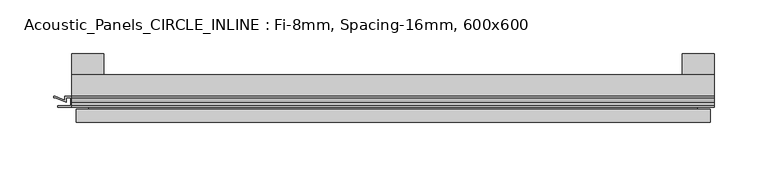
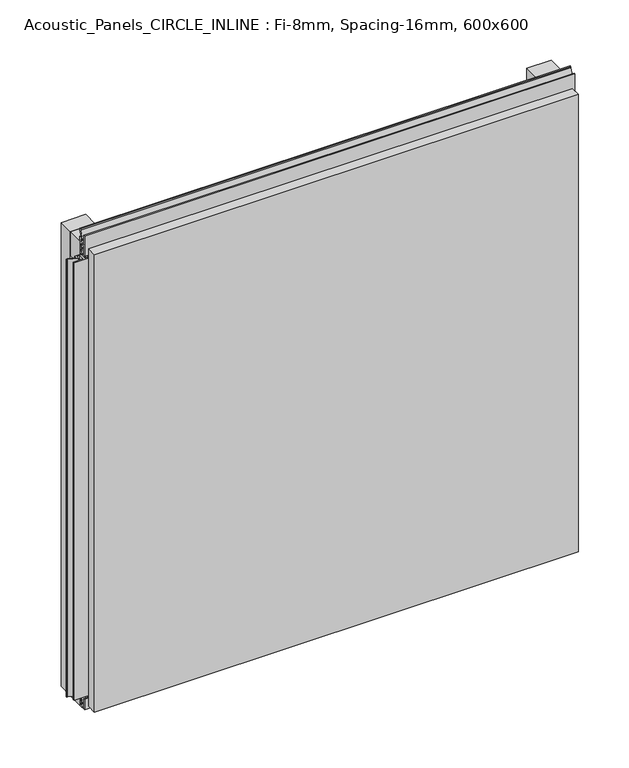
"""IFC4 building model written with IfcOpenShell, lengths in millimetres: plate geometry, Acoustic_Panels_CIRCLE_INLINE : Fi-8mm, Spacing-16mm, 600x600."""

from ifc_helpers import new_model, si_unit, frame, origin, origin_with_axes, place, context, project, spatial, polyline, outline, extrude, faceted_brep, source, transform, mapped, element, save


def acoustic_panels_circle_inline_fi_8mm_spacing_16mm_600x600_7f3c8e2c(model_context):
    return source(origin(), model_context, "Body", "SolidModel", [
        extrude(outline(polyline([(-300.0, -40.0), (-300.0, -20.0), (300.0, -20.0), (300.0, -40.0), (-300.0, -40.0)])), frame((0.0, 0.0, 570.0), z_axis=(0.0, 0.0, 1.0), x_axis=(1.0, 0.0, 0.0)), (0.0, 0.0, 1.0), 30.0),
        extrude(outline(polyline([(-300.0, -40.0), (-300.0, -20.0), (300.0, -20.0), (300.0, -40.0), (-300.0, -40.0)])), origin_with_axes(), (0.0, 0.0, 1.0), 30.0),
        extrude(outline(polyline([(270.0, 0.0), (300.0, 0.0), (300.0, -20.0), (270.0, -20.0), (270.0, 0.0)])), origin_with_axes(), (0.0, 0.0, 1.0), 600.0),
        extrude(outline(polyline([(-270.0, 0.0), (-270.0, -20.0), (-300.0, -20.0), (-300.0, 0.0), (-270.0, 0.0)])), origin_with_axes(), (0.0, 0.0, 1.0), 600.0),
        extrude(outline(polyline([(-40.0, 6.299084), (-40.0, 0.0), (-50.1, 0.0), (-50.1, 13.4156807), (-48.7, 13.4156807), (-48.7, 1.4156807), (-41.4, 1.4156807), (-41.4, 4.899084), (-45.5140545, 4.899084), (-41.4553267, 15.5703394), (-41.4553267, 22.991548), (-40.0553267, 22.991548), (-40.0553267, 15.3558599), (-43.5, 6.299084), (-40.0, 6.299084)])), frame((-300.0, 0.0, 0.0), z_axis=(1.0, 0.0, 0.0), x_axis=(0.0, 1.0, 0.0)), (0.0, 0.0, 1.0), 600.0),
        extrude(outline(polyline([(293.700916, -40.0), (300.0, -40.0), (300.0, -50.1), (286.5843193, -50.1), (286.5843193, -48.7), (298.5843193, -48.7), (298.5843193, -41.4), (295.100916, -41.4), (295.100916, -45.5140545), (284.4296606, -41.4553267), (277.008452, -41.4553267), (277.008452, -40.0553267), (284.6441401, -40.0553267), (293.700916, -43.5), (293.700916, -40.0)])), frame((0.0, 0.0, 16.9558599), z_axis=(0.0, 0.0, 1.0), x_axis=(1.0, 0.0, 0.0)), (0.0, 0.0, 1.0), 566.0882802),
        extrude(outline(polyline([(-300.899084, -48.7), (-300.899084, -41.4), (-304.899084, -41.4), (-304.899084, -45.5140545), (-315.5703394, -41.4553267), (-316.9558599, -41.4553267), (-316.9558599, -40.0553267), (-315.3558599, -40.0553267), (-306.299084, -43.5), (-306.299084, -40.0), (-293.700916, -40.0), (-293.700916, -43.5), (-284.6441401, -40.0553267), (-283.0441401, -40.0553267), (-283.0441401, -41.4553267), (-284.4296606, -41.4553267), (-295.100916, -45.5140545), (-295.100916, -41.4), (-299.100916, -41.4), (-299.100916, -48.7), (-287.100916, -48.7), (-287.100916, -50.1), (-312.899084, -50.1), (-312.899084, -48.7), (-300.899084, -48.7)])), frame((0.0, 0.0, 16.9558599), z_axis=(0.0, 0.0, 1.0), x_axis=(1.0, 0.0, 0.0)), (0.0, 0.0, 1.0), 566.0882802),
        extrude(outline(polyline([(-48.7, 600.899084), (-41.4, 600.899084), (-41.4, 604.899084), (-45.5140545, 604.899084), (-41.4553267, 615.5703394), (-41.4553267, 616.9558599), (-40.0553267, 616.9558599), (-40.0553267, 615.3558599), (-43.5, 606.299084), (-40.0, 606.299084), (-40.0, 593.700916), (-43.5, 593.700916), (-40.0553267, 584.6441401), (-40.0553267, 583.0441401), (-41.4553267, 583.0441401), (-41.4553267, 584.4296606), (-45.5140545, 595.100916), (-41.4, 595.100916), (-41.4, 599.100916), (-48.7, 599.100916), (-48.7, 587.100916), (-50.1, 587.100916), (-50.1, 612.899084), (-48.7, 612.899084), (-48.7, 600.899084)])), frame((-300.0, 0.0, 0.0), z_axis=(1.0, 0.0, 0.0), x_axis=(0.0, 1.0, 0.0)), (0.0, 0.0, 1.0), 600.0),
        faceted_brep([(296.0, -45.9, 596.0), (-296.0, -45.9, 596.0), (-296.0, -48.7, 596.0), (296.0, -48.7, 596.0), (-296.0, -63.9, 596.0), (296.0, -63.9, 596.0), (296.0, -51.9, 596.0), (-296.0, -51.9, 596.0), (-296.0, -45.9, 4.0), (296.0, -45.9, 4.0), (296.0, -48.7, 4.0), (-296.0, -48.7, 4.0), (296.0, -63.9, 4.0), (-296.0, -63.9, 4.0), (-296.0, -51.9, 4.0), (296.0, -51.9, 4.0), (284.0, -51.9, 584.0), (284.0, -51.9, 16.0), (284.0, -48.7, 16.0), (284.0, -48.7, 584.0), (-284.0, -51.9, 16.0), (-284.0, -48.7, 16.0), (-284.0, -51.9, 584.0), (-284.0, -48.7, 584.0)], [[[0, 1, 2, 3]], [[4, 5, 6, 7]], [[8, 9, 10, 11]], [[12, 13, 14, 15]], [[1, 0, 9, 8]], [[1, 8, 11, 2]], [[13, 4, 7, 14]], [[5, 4, 13, 12]], [[9, 0, 3, 10]], [[5, 12, 15, 6]], [[16, 17, 18, 19]], [[18, 17, 20, 21]], [[21, 20, 22, 23]], [[16, 19, 23, 22]], [[7, 6, 15, 14], [17, 16, 22, 20]], [[3, 2, 11, 10], [19, 18, 21, 23]]]),
    ])


if __name__ == "__main__":
    model = new_model("IFC4")
    model_context = context("Model", 3, world=origin())
    ifc_project = project(units=[si_unit("LENGTHUNIT", "METRE", prefix="MILLI")], contexts=[model_context])
    site = spatial("IfcSite", under=ifc_project)
    building = spatial("IfcBuilding", under=site)
    placement = place(None, origin())
    acoustic_panels_circle_inline_fi_8mm_spacing_16mm_600x600_shape = acoustic_panels_circle_inline_fi_8mm_spacing_16mm_600x600_7f3c8e2c(model_context)
    element("IfcPlate", 1, ObjectType="Acoustic_Panels_CIRCLE_INLINE : Fi-8mm, Spacing-16mm, 600x600", at=placement, inside=building, context=model_context, shape_type="MappedRepresentation", body=[
        mapped(acoustic_panels_circle_inline_fi_8mm_spacing_16mm_600x600_shape, transform((0.0, 0.0, 0.0), x_axis=(1.0, 0.0, 0.0), y_axis=(0.0, 1.0, 0.0), z_axis=(0.0, 0.0, 1.0))),
    ])
    save(model, "model.ifc")
